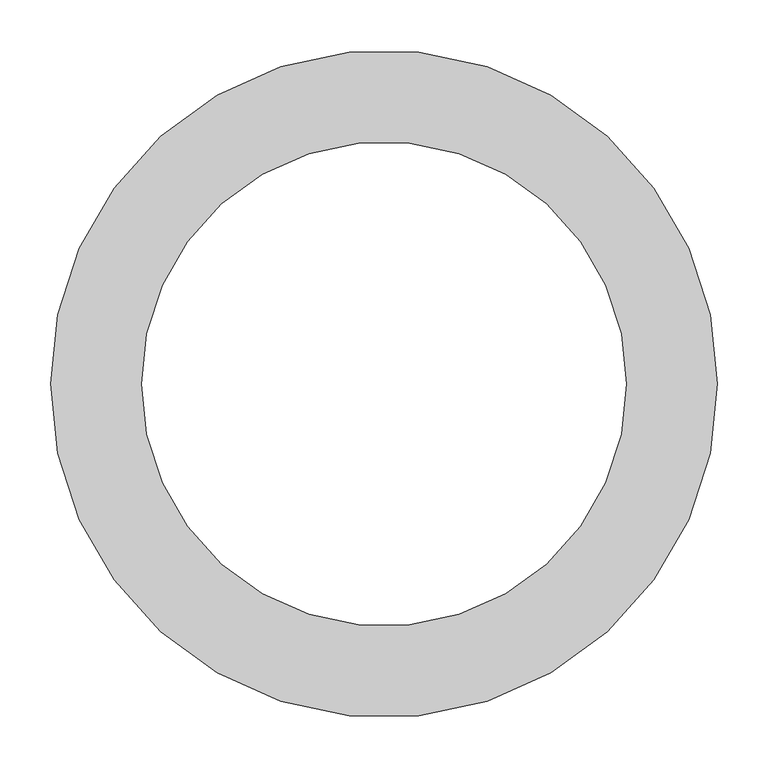
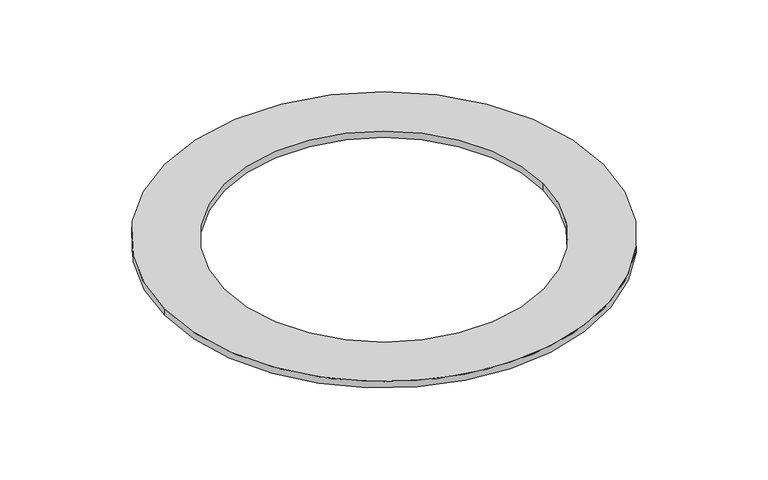
"""IFC4 building model written with IfcOpenShell, lengths in millimetres: furniture geometry."""

from ifc_helpers import new_model, si_unit, point, origin, origin_with_axes, origin_2d, place, context, project, spatial, circle_curve, trimmed, segment, composite_curve, outline, extrude, source, transform, mapped, element, save


def furniture_a7fcf293(model_context):
    return source(origin(), model_context, "Body", "SweptSolid", [
        extrude(outline(composite_curve([segment(trimmed(circle_curve(origin_2d(), 329.3893602), [point((-329.3893602, 0.0))], [point((329.3893602, 0.0))], False, "CARTESIAN"), True, "CONTINUOUS"), segment(trimmed(circle_curve(origin_2d(), 329.3893602), [point((329.3893602, 0.0))], [point((-329.3893602, 0.0))], False, "CARTESIAN"), True, "CONTINUOUS")], self_intersect=False), holes=[composite_curve([segment(trimmed(circle_curve(origin_2d(), 239.3893602), [point((239.3893602, 0.0))], [point((-239.3893602, 0.0))], True, "CARTESIAN"), True, "CONTINUOUS"), segment(trimmed(circle_curve(origin_2d(), 239.3893602), [point((-239.3893602, 0.0))], [point((239.3893602, 0.0))], True, "CARTESIAN"), True, "CONTINUOUS")], self_intersect=False)]), origin_with_axes(), (0.0, 0.0, 1.0), 10.0),
    ])


if __name__ == "__main__":
    model = new_model("IFC4")
    model_context = context("Model", 3, world=origin())
    ifc_project = project(units=[si_unit("LENGTHUNIT", "METRE", prefix="MILLI")], contexts=[model_context])
    site = spatial("IfcSite", under=ifc_project)
    building = spatial("IfcBuilding", under=site)
    placement = place(None, origin())
    furniture_shape = furniture_a7fcf293(model_context)
    element("IfcFurniture", 1, at=placement, inside=building, context=model_context, shape_type="MappedRepresentation", body=[
        mapped(furniture_shape, transform((0.0, 0.0, 0.0), x_axis=(1.0, 0.0, 0.0), y_axis=(0.0, 1.0, 0.0), z_axis=(0.0, 0.0, 1.0))),
    ])
    save(model, "model.ifc")
